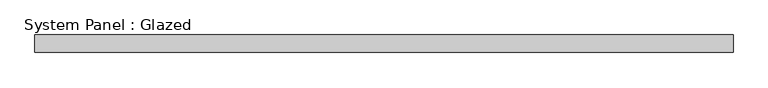
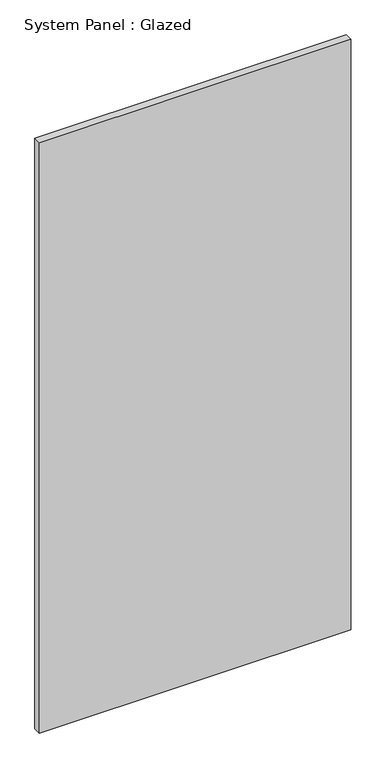
"""IFC4 building model written with IfcOpenShell, lengths in millimetres: plate geometry, System Panel : Glazed."""

from ifc_helpers import new_model, si_unit, origin, origin_with_axes, place, context, project, spatial, polyline, outline, extrude, source, transform, mapped, element, save


def system_panel_glazed_48f9f364(model_context):
    return source(origin(), model_context, "Body", "SweptSolid", [
        extrude(outline(polyline([(498.7235687, 24.5), (-498.7235687, 24.5), (-498.7235687, 49.5), (498.7235687, 49.5), (498.7235687, 24.5)])), origin_with_axes(), (0.0, 0.0, 1.0), 2000.0),
    ])


if __name__ == "__main__":
    model = new_model("IFC4")
    model_context = context("Model", 3, world=origin())
    ifc_project = project(units=[si_unit("LENGTHUNIT", "METRE", prefix="MILLI")], contexts=[model_context])
    site = spatial("IfcSite", under=ifc_project)
    building = spatial("IfcBuilding", under=site)
    placement = place(None, origin())
    system_panel_glazed_shape = system_panel_glazed_48f9f364(model_context)
    element("IfcPlate", 1, ObjectType="System Panel : Glazed", at=placement, inside=building, context=model_context, shape_type="MappedRepresentation", body=[
        mapped(system_panel_glazed_shape, transform((0.0, 0.0, 0.0), x_axis=(1.0, 0.0, 0.0), y_axis=(0.0, 1.0, 0.0), z_axis=(0.0, 0.0, 1.0))),
    ])
    save(model, "model.ifc")
